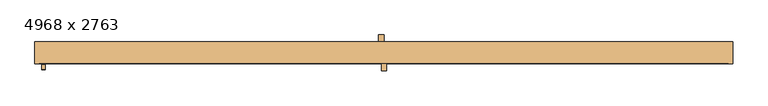
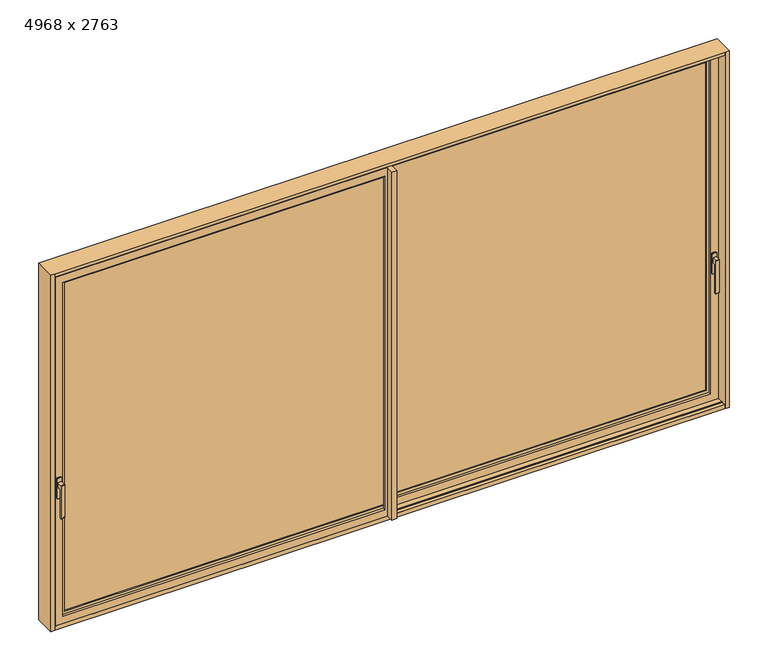
"""IFC4 building model written with IfcOpenShell, lengths in millimetres: door geometry, 4968 x 2763."""

from ifc_helpers import new_model, si_unit, point, frame, frame_2d, origin, place, context, project, spatial, polyline, circle_curve, trimmed, segment, composite_curve, outline, extrude, faceted_brep, source, transform, mapped, element, save
from ifc_brep_helpers import plane_surface, cylinder_surface, revolved_surface, advanced_brep


def door_4968_x_2763_f2bf357f(model_context):
    return source(origin(), model_context, "Body", "SolidModel", [
        advanced_brep(
        [(-2414.8849701, -59.25, 1100.7), (-2409.8849701, -59.25, 1105.7), (-2384.8849701, -59.25, 1105.7), (-2379.8849701, -59.25, 1100.7), (-2379.8849701, -59.25, 910.0621417), (-2384.8849701, -59.25, 905.0621417), (-2409.8849701, -59.25, 905.0621417), (-2414.8849701, -59.25, 910.0621417), (-2397.3849701, -59.25, 970.1681027), (-2384.2901925, -59.25, 983.2628803), (-2384.2901925, -59.25, 1079.3768243), (-2410.4797477, -59.25, 1079.3768243), (-2410.4797477, -59.25, 983.2628803), (-2414.8849701, -60.25, 1100.7), (-2414.8849701, -60.25, 910.0621417), (-2409.8849701, -60.25, 905.0621417), (-2384.8849701, -60.25, 905.0621417), (-2379.8849701, -60.25, 910.0621417), (-2379.8849701, -60.25, 1100.7), (-2384.8849701, -60.25, 1105.7), (-2409.8849701, -60.25, 1105.7), (-2411.4797477, -60.25, 1079.3768243), (-2383.2901925, -60.25, 1079.3768243), (-2383.2901925, -60.25, 983.2628803), (-2397.3849701, -60.25, 969.1681027), (-2411.4797477, -60.25, 983.2628803), (-2410.4797477, -69.25, 983.2628803), (-2410.4797477, -69.25, 1079.3768243), (-2384.2901925, -69.25, 1079.3768243), (-2384.2901925, -69.25, 983.2628803), (-2397.3849701, -69.25, 970.1681027), (-2411.4797477, -70.25, 1079.3768243), (-2411.4797477, -70.25, 983.2628803), (-2397.3849701, -70.25, 969.1681027), (-2383.2901925, -70.25, 983.2628803), (-2383.2901925, -70.25, 1079.3768243)],
        [
            (0, 1, circle_curve(frame((-2409.8849701, -59.25, 1100.7), z_axis=(0.0, 1.0, 0.0), x_axis=(1.0, 0.0, 0.0)), 5.0)),
            (1, 2),
            (2, 3, circle_curve(frame((-2384.8849701, -59.25, 1100.7), z_axis=(0.0, 1.0, 0.0), x_axis=(1.0, 0.0, 0.0)), 5.0)),
            (3, 4),
            (4, 5, circle_curve(frame((-2384.8849701, -59.25, 910.0621417), z_axis=(0.0, 1.0, 0.0), x_axis=(1.0, 0.0, 0.0)), 5.0)),
            (5, 6),
            (6, 7, circle_curve(frame((-2409.8849701, -59.25, 910.0621417), z_axis=(0.0, 1.0, 0.0), x_axis=(1.0, 0.0, 0.0)), 5.0)),
            (7, 0),
            (8, 9, circle_curve(frame((-2397.3849701, -59.25, 983.2628803), z_axis=(0.0, -1.0, 0.0), x_axis=(1.0, 0.0, 0.0)), 13.0947776)),
            (9, 10),
            (10, 11, circle_curve(frame((-2397.3849701, -59.25, 1079.3768243), z_axis=(0.0, -1.0, 0.0), x_axis=(1.0, 0.0, 0.0)), 13.0947776)),
            (11, 12),
            (12, 8, circle_curve(frame((-2397.3849701, -59.25, 983.2628803), z_axis=(0.0, -1.0, 0.0), x_axis=(1.0, 0.0, 0.0)), 13.0947776)),
            (13, 14),
            (14, 15, circle_curve(frame((-2409.8849701, -60.25, 910.0621417), z_axis=(0.0, -1.0, 0.0), x_axis=(1.0, 0.0, 0.0)), 5.0)),
            (15, 16),
            (16, 17, circle_curve(frame((-2384.8849701, -60.25, 910.0621417), z_axis=(0.0, -1.0, 0.0), x_axis=(1.0, 0.0, 0.0)), 5.0)),
            (17, 18),
            (18, 19, circle_curve(frame((-2384.8849701, -60.25, 1100.7), z_axis=(0.0, -1.0, 0.0), x_axis=(1.0, 0.0, 0.0)), 5.0)),
            (19, 20),
            (20, 13, circle_curve(frame((-2409.8849701, -60.25, 1100.7), z_axis=(0.0, -1.0, 0.0), x_axis=(1.0, 0.0, 0.0)), 5.0)),
            (21, 22, circle_curve(frame((-2397.3849701, -60.25, 1079.3768243), z_axis=(0.0, 1.0, 0.0), x_axis=(1.0, 0.0, 0.0)), 14.0947776)),
            (22, 23),
            (23, 24, circle_curve(frame((-2397.3849701, -60.25, 983.2628803), z_axis=(0.0, 1.0, 0.0), x_axis=(1.0, 0.0, 0.0)), 14.0947776)),
            (24, 25, circle_curve(frame((-2397.3849701, -60.25, 983.2628803), z_axis=(0.0, 1.0, 0.0), x_axis=(1.0, 0.0, 0.0)), 14.0947776)),
            (25, 21),
            (7, 14),
            (13, 0),
            (6, 15),
            (5, 16),
            (4, 17),
            (3, 18),
            (2, 19),
            (1, 20),
            (26, 27),
            (27, 28, circle_curve(frame((-2397.3849701, -69.25, 1079.3768243), z_axis=(0.0, 1.0, 0.0), x_axis=(1.0, 0.0, 0.0)), 13.0947776)),
            (28, 29),
            (29, 30, circle_curve(frame((-2397.3849701, -69.25, 983.2628803), z_axis=(0.0, 1.0, 0.0), x_axis=(1.0, 0.0, 0.0)), 13.0947776)),
            (30, 26, circle_curve(frame((-2397.3849701, -69.25, 983.2628803), z_axis=(0.0, 1.0, 0.0), x_axis=(1.0, 0.0, 0.0)), 13.0947776)),
            (30, 8),
            (12, 26),
            (29, 9),
            (28, 10),
            (27, 11),
            (31, 32),
            (32, 33, circle_curve(frame((-2397.3849701, -70.25, 983.2628803), z_axis=(0.0, -1.0, 0.0), x_axis=(1.0, 0.0, 0.0)), 14.0947776)),
            (33, 34, circle_curve(frame((-2397.3849701, -70.25, 983.2628803), z_axis=(0.0, -1.0, 0.0), x_axis=(1.0, 0.0, 0.0)), 14.0947776)),
            (34, 35),
            (35, 31, circle_curve(frame((-2397.3849701, -70.25, 1079.3768243), z_axis=(0.0, -1.0, 0.0), x_axis=(1.0, 0.0, 0.0)), 14.0947776)),
            (31, 21),
            (25, 32),
            (24, 33),
            (23, 34),
            (22, 35),
        ],
        [
            plane_surface(frame((-2414.8849701, -59.25, 1100.7), z_axis=(0.0, 1.0, 0.0), x_axis=(0.0, 0.0, -1.0))),
            plane_surface(frame((-2414.8849701, -60.25, 1100.7), z_axis=(0.0, -1.0, 0.0), x_axis=(0.0, 0.0, 1.0))),
            plane_surface(frame((-2414.8849701, -59.25, 1100.7), z_axis=(-1.0, 0.0, 0.0), x_axis=(0.0, -1.0, 0.0))),
            cylinder_surface(frame((-2409.8849701, -60.25, 910.0621417), z_axis=(0.0, 1.0, 0.0), x_axis=(1.0, 0.0, 0.0)), 5.0),
            plane_surface(frame((-2409.8849701, -59.25, 905.0621417), z_axis=(0.0, 0.0, -1.0), x_axis=(0.0, -1.0, 0.0))),
            cylinder_surface(frame((-2384.8849701, -60.25, 910.0621417), z_axis=(0.0, 1.0, 0.0), x_axis=(1.0, 0.0, 0.0)), 5.0),
            plane_surface(frame((-2379.8849701, -59.25, 910.0621417), z_axis=(1.0, 0.0, 0.0), x_axis=(0.0, -1.0, 0.0))),
            cylinder_surface(frame((-2384.8849701, -60.25, 1100.7), z_axis=(0.0, 1.0, 0.0), x_axis=(1.0, 0.0, 0.0)), 5.0),
            plane_surface(frame((-2384.8849701, -59.25, 1105.7), z_axis=(0.0, 0.0, 1.0), x_axis=(0.0, -1.0, 0.0))),
            cylinder_surface(frame((-2409.8849701, -60.25, 1100.7), z_axis=(0.0, 1.0, 0.0), x_axis=(1.0, 0.0, 0.0)), 5.0),
            plane_surface(frame((-2384.2901925, -69.25, 983.2628803), z_axis=(0.0, 1.0, 0.0), x_axis=(0.0, 0.0, -1.0))),
            revolved_surface(polyline([(-2384.2901925, -59.25, 983.2628803), (-2384.2901925, -69.25, 983.2628803)]), (-2397.3849701, -69.25, 983.2628803), (0.0, 1.0, 0.0)),
            plane_surface(frame((-2384.2901925, -55.2693201, 983.2628803), z_axis=(-1.0, 0.0, 0.0), x_axis=(0.0, -1.0, 0.0))),
            revolved_surface(polyline([(-2384.2901925, -59.25, 1079.3768243), (-2384.2901925, -69.25, 1079.3768243)]), (-2397.3849701, -69.25, 1079.3768243), (0.0, 1.0, 0.0)),
            plane_surface(frame((-2410.4797477, -55.2693201, 1079.3768243), z_axis=(1.0, 0.0, 0.0), x_axis=(0.0, -1.0, 0.0))),
            plane_surface(frame((-2411.4797477, -70.25, 1079.3768243), z_axis=(0.0, -1.0, 0.0), x_axis=(0.0, 0.0, 1.0))),
            plane_surface(frame((-2411.4797477, -59.25, 1079.3768243), z_axis=(-1.0, 0.0, 0.0), x_axis=(0.0, -1.0, 0.0))),
            cylinder_surface(frame((-2397.3849701, -70.25, 983.2628803), z_axis=(0.0, 1.0, 0.0), x_axis=(1.0, 0.0, 0.0)), 14.0947776),
            plane_surface(frame((-2383.2901925, -59.25, 983.2628803), z_axis=(1.0, 0.0, 0.0), x_axis=(0.0, -1.0, 0.0))),
            cylinder_surface(frame((-2397.3849701, -70.25, 1079.3768243), z_axis=(0.0, 1.0, 0.0), x_axis=(1.0, 0.0, 0.0)), 14.0947776),
        ],
        [
            (0, [[1, 2, 3, 4, 5, 6, 7, 8], [9, 10, 11, 12, 13]]),
            (1, [[14, 15, 16, 17, 18, 19, 20, 21], [22, 23, 24, 25, 26]]),
            (2, [[27, -14, 28, -8]]),
            (3, [[29, -15, -27, -7]]),
            (4, [[30, -16, -29, -6]]),
            (5, [[31, -17, -30, -5]]),
            (6, [[32, -18, -31, -4]]),
            (7, [[33, -19, -32, -3]]),
            (8, [[34, -20, -33, -2]]),
            (9, [[-28, -21, -34, -1]]),
            (10, [[35, 36, 37, 38, 39]]),
            (11, [[40, -13, 41, -39]]),
            (11, [[42, -9, -40, -38]]),
            (12, [[43, -10, -42, -37]]),
            (13, [[44, -11, -43, -36]]),
            (14, [[-41, -12, -44, -35]]),
            (15, [[45, 46, 47, 48, 49]]),
            (16, [[50, -26, 51, -45]]),
            (17, [[-51, -25, 52, -46]]),
            (17, [[-52, -24, 53, -47]]),
            (18, [[-53, -23, 54, -48]]),
            (19, [[-54, -22, -50, -49]]),
        ],
    ),
        advanced_brep(
        [(2428.0125, 19.25, 1100.7), (2433.0125, 19.25, 1105.7), (2458.0125, 19.25, 1105.7), (2463.0125, 19.25, 1100.7), (2463.0125, 19.25, 910.0621417), (2458.0125, 19.25, 905.0621417), (2433.0125, 19.25, 905.0621417), (2428.0125, 19.25, 910.0621417), (2445.5125, 19.25, 970.1681027), (2458.6072776, 19.25, 983.2628803), (2458.6072776, 19.25, 1079.3768243), (2432.4177224, 19.25, 1079.3768243), (2432.4177224, 19.25, 983.2628803), (2428.0125, 18.25, 1100.7), (2428.0125, 18.25, 910.0621417), (2433.0125, 18.25, 905.0621417), (2458.0125, 18.25, 905.0621417), (2463.0125, 18.25, 910.0621417), (2463.0125, 18.25, 1100.7), (2458.0125, 18.25, 1105.7), (2433.0125, 18.25, 1105.7), (2431.4177224, 18.25, 1079.3768243), (2459.6072776, 18.25, 1079.3768243), (2459.6072776, 18.25, 983.2628803), (2445.5125, 18.25, 969.1681027), (2431.4177224, 18.25, 983.2628803), (2432.4177224, 9.25, 983.2628803), (2432.4177224, 9.25, 1079.3768243), (2458.6072776, 9.25, 1079.3768243), (2458.6072776, 9.25, 983.2628803), (2445.5125, 9.25, 970.1681027), (2431.4177224, 8.25, 1079.3768243), (2431.4177224, 8.25, 983.2628803), (2445.5125, 8.25, 969.1681027), (2459.6072776, 8.25, 983.2628803), (2459.6072776, 8.25, 1079.3768243)],
        [
            (0, 1, circle_curve(frame((2433.0125, 19.25, 1100.7), z_axis=(0.0, 1.0, 0.0), x_axis=(1.0, 0.0, 0.0)), 5.0)),
            (1, 2),
            (2, 3, circle_curve(frame((2458.0125, 19.25, 1100.7), z_axis=(0.0, 1.0, 0.0), x_axis=(1.0, 0.0, 0.0)), 5.0)),
            (3, 4),
            (4, 5, circle_curve(frame((2458.0125, 19.25, 910.0621417), z_axis=(0.0, 1.0, 0.0), x_axis=(1.0, 0.0, 0.0)), 5.0)),
            (5, 6),
            (6, 7, circle_curve(frame((2433.0125, 19.25, 910.0621417), z_axis=(0.0, 1.0, 0.0), x_axis=(1.0, 0.0, 0.0)), 5.0)),
            (7, 0),
            (8, 9, circle_curve(frame((2445.5125, 19.25, 983.2628803), z_axis=(0.0, -1.0, 0.0), x_axis=(1.0, 0.0, 0.0)), 13.0947776)),
            (9, 10),
            (10, 11, circle_curve(frame((2445.5125, 19.25, 1079.3768243), z_axis=(0.0, -1.0, 0.0), x_axis=(1.0, 0.0, 0.0)), 13.0947776)),
            (11, 12),
            (12, 8, circle_curve(frame((2445.5125, 19.25, 983.2628803), z_axis=(0.0, -1.0, 0.0), x_axis=(1.0, 0.0, 0.0)), 13.0947776)),
            (13, 14),
            (14, 15, circle_curve(frame((2433.0125, 18.25, 910.0621417), z_axis=(0.0, -1.0, 0.0), x_axis=(1.0, 0.0, 0.0)), 5.0)),
            (15, 16),
            (16, 17, circle_curve(frame((2458.0125, 18.25, 910.0621417), z_axis=(0.0, -1.0, 0.0), x_axis=(1.0, 0.0, 0.0)), 5.0)),
            (17, 18),
            (18, 19, circle_curve(frame((2458.0125, 18.25, 1100.7), z_axis=(0.0, -1.0, 0.0), x_axis=(1.0, 0.0, 0.0)), 5.0)),
            (19, 20),
            (20, 13, circle_curve(frame((2433.0125, 18.25, 1100.7), z_axis=(0.0, -1.0, 0.0), x_axis=(1.0, 0.0, 0.0)), 5.0)),
            (21, 22, circle_curve(frame((2445.5125, 18.25, 1079.3768243), z_axis=(0.0, 1.0, 0.0), x_axis=(1.0, 0.0, 0.0)), 14.0947776)),
            (22, 23),
            (23, 24, circle_curve(frame((2445.5125, 18.25, 983.2628803), z_axis=(0.0, 1.0, 0.0), x_axis=(1.0, 0.0, 0.0)), 14.0947776)),
            (24, 25, circle_curve(frame((2445.5125, 18.25, 983.2628803), z_axis=(0.0, 1.0, 0.0), x_axis=(1.0, 0.0, 0.0)), 14.0947776)),
            (25, 21),
            (7, 14),
            (13, 0),
            (6, 15),
            (5, 16),
            (4, 17),
            (3, 18),
            (2, 19),
            (1, 20),
            (26, 27),
            (27, 28, circle_curve(frame((2445.5125, 9.25, 1079.3768243), z_axis=(0.0, 1.0, 0.0), x_axis=(1.0, 0.0, 0.0)), 13.0947776)),
            (28, 29),
            (29, 30, circle_curve(frame((2445.5125, 9.25, 983.2628803), z_axis=(0.0, 1.0, 0.0), x_axis=(1.0, 0.0, 0.0)), 13.0947776)),
            (30, 26, circle_curve(frame((2445.5125, 9.25, 983.2628803), z_axis=(0.0, 1.0, 0.0), x_axis=(1.0, 0.0, 0.0)), 13.0947776)),
            (30, 8),
            (12, 26),
            (29, 9),
            (28, 10),
            (27, 11),
            (31, 32),
            (32, 33, circle_curve(frame((2445.5125, 8.25, 983.2628803), z_axis=(0.0, -1.0, 0.0), x_axis=(1.0, 0.0, 0.0)), 14.0947776)),
            (33, 34, circle_curve(frame((2445.5125, 8.25, 983.2628803), z_axis=(0.0, -1.0, 0.0), x_axis=(1.0, 0.0, 0.0)), 14.0947776)),
            (34, 35),
            (35, 31, circle_curve(frame((2445.5125, 8.25, 1079.3768243), z_axis=(0.0, -1.0, 0.0), x_axis=(1.0, 0.0, 0.0)), 14.0947776)),
            (31, 21),
            (25, 32),
            (24, 33),
            (23, 34),
            (22, 35),
        ],
        [
            plane_surface(frame((2428.0125, 19.25, 1100.7), z_axis=(0.0, 1.0, 0.0), x_axis=(0.0, 0.0, -1.0))),
            plane_surface(frame((2428.0125, 18.25, 1100.7), z_axis=(0.0, -1.0, 0.0), x_axis=(0.0, 0.0, 1.0))),
            plane_surface(frame((2428.0125, 19.25, 1100.7), z_axis=(-1.0, 0.0, 0.0), x_axis=(0.0, -1.0, 0.0))),
            cylinder_surface(frame((2433.0125, 18.25, 910.0621417), z_axis=(0.0, 1.0, 0.0), x_axis=(1.0, 0.0, 0.0)), 5.0),
            plane_surface(frame((2433.0125, 19.25, 905.0621417), z_axis=(0.0, 0.0, -1.0), x_axis=(0.0, -1.0, 0.0))),
            cylinder_surface(frame((2458.0125, 18.25, 910.0621417), z_axis=(0.0, 1.0, 0.0), x_axis=(1.0, 0.0, 0.0)), 5.0),
            plane_surface(frame((2463.0125, 19.25, 910.0621417), z_axis=(1.0, 0.0, 0.0), x_axis=(0.0, -1.0, 0.0))),
            cylinder_surface(frame((2458.0125, 18.25, 1100.7), z_axis=(0.0, 1.0, 0.0), x_axis=(1.0, 0.0, 0.0)), 5.0),
            plane_surface(frame((2458.0125, 19.25, 1105.7), z_axis=(0.0, 0.0, 1.0), x_axis=(0.0, -1.0, 0.0))),
            cylinder_surface(frame((2433.0125, 18.25, 1100.7), z_axis=(0.0, 1.0, 0.0), x_axis=(1.0, 0.0, 0.0)), 5.0),
            plane_surface(frame((2458.6072776, 9.25, 983.2628803), z_axis=(0.0, 1.0, 0.0), x_axis=(0.0, 0.0, -1.0))),
            revolved_surface(polyline([(2458.6072775999996, 19.25, 983.2628803), (2458.6072775999996, 9.25, 983.2628803)]), (2445.5125, 9.25, 983.2628803), (0.0, 1.0, 0.0)),
            plane_surface(frame((2458.6072776, 23.2306799, 983.2628803), z_axis=(-1.0, 0.0, 0.0), x_axis=(0.0, -1.0, 0.0))),
            revolved_surface(polyline([(2458.6072775999996, 19.25, 1079.3768243), (2458.6072775999996, 9.25, 1079.3768243)]), (2445.5125, 9.25, 1079.3768243), (0.0, 1.0, 0.0)),
            plane_surface(frame((2432.4177224, 23.2306799, 1079.3768243), z_axis=(1.0, 0.0, 0.0), x_axis=(0.0, -1.0, 0.0))),
            plane_surface(frame((2431.4177224, 8.25, 1079.3768243), z_axis=(0.0, -1.0, 0.0), x_axis=(0.0, 0.0, 1.0))),
            plane_surface(frame((2431.4177224, 19.25, 1079.3768243), z_axis=(-1.0, 0.0, 0.0), x_axis=(0.0, -1.0, 0.0))),
            cylinder_surface(frame((2445.5125, 8.25, 983.2628803), z_axis=(0.0, 1.0, 0.0), x_axis=(1.0, 0.0, 0.0)), 14.0947776),
            plane_surface(frame((2459.6072776, 19.25, 983.2628803), z_axis=(1.0, 0.0, 0.0), x_axis=(0.0, -1.0, 0.0))),
            cylinder_surface(frame((2445.5125, 8.25, 1079.3768243), z_axis=(0.0, 1.0, 0.0), x_axis=(1.0, 0.0, 0.0)), 14.0947776),
        ],
        [
            (0, [[1, 2, 3, 4, 5, 6, 7, 8], [9, 10, 11, 12, 13]]),
            (1, [[14, 15, 16, 17, 18, 19, 20, 21], [22, 23, 24, 25, 26]]),
            (2, [[27, -14, 28, -8]]),
            (3, [[29, -15, -27, -7]]),
            (4, [[30, -16, -29, -6]]),
            (5, [[31, -17, -30, -5]]),
            (6, [[32, -18, -31, -4]]),
            (7, [[33, -19, -32, -3]]),
            (8, [[34, -20, -33, -2]]),
            (9, [[-28, -21, -34, -1]]),
            (10, [[35, 36, 37, 38, 39]]),
            (11, [[40, -13, 41, -39]]),
            (11, [[42, -9, -40, -38]]),
            (12, [[43, -10, -42, -37]]),
            (13, [[44, -11, -43, -36]]),
            (14, [[-41, -12, -44, -35]]),
            (15, [[45, 46, 47, 48, 49]]),
            (16, [[50, -26, 51, -45]]),
            (17, [[-51, -25, 52, -46]]),
            (17, [[-52, -24, 53, -47]]),
            (18, [[-53, -23, 54, -48]]),
            (19, [[-54, -22, -50, -49]]),
        ],
    ),
        extrude(outline(composite_curve([segment(polyline([(-58.55, 1111.2768015), (-58.55, 1074.762004), (-84.7564082, 1074.762004)]), True, "CONTINUOUS"), segment(trimmed(circle_curve(frame_2d((-84.7564082, 1073.762004)), 1.0), [point((-84.7564082, 1074.762004))], [point((-85.7564082, 1073.762004))], True, "CARTESIAN"), True, "CONTINUOUS"), segment(polyline([(-85.7564082, 1073.762004), (-85.7564082, 855.7988119)]), True, "CONTINUOUS"), segment(trimmed(circle_curve(frame_2d((-86.7932161, 855.7988119)), 1.0368079), [point((-85.7564082, 855.7988119))], [point((-86.7932161, 854.762004))], False, "CARTESIAN"), True, "CONTINUOUS"), segment(polyline([(-86.7932161, 854.762004), (-96.55, 854.762004)]), True, "CONTINUOUS"), segment(trimmed(circle_curve(frame_2d((-96.55, 855.762004)), 1.0), [point((-96.55, 854.762004))], [point((-97.55, 855.762004))], False, "CARTESIAN"), True, "CONTINUOUS"), segment(polyline([(-97.55, 855.762004), (-97.55, 1110.2768015)]), True, "CONTINUOUS"), segment(trimmed(circle_curve(frame_2d((-96.55, 1110.2768015)), 1.0), [point((-97.55, 1110.2768015))], [point((-96.55, 1111.2768015))], False, "CARTESIAN"), True, "CONTINUOUS"), segment(polyline([(-96.55, 1111.2768015), (-58.55, 1111.2768015)]), True, "CONTINUOUS")], self_intersect=False)), frame((2432.7072661, 0.0, 0.0), z_axis=(1.0, 0.0, 0.0), x_axis=(0.0, 1.0, 0.0)), (0.0, 0.0, 1.0), 25.6104678),
        extrude(outline(composite_curve([segment(polyline([(1139.6194028, 2429.2625), (987.4634302, 2429.2625)]), True, "CONTINUOUS"), segment(trimmed(circle_curve(frame_2d((987.4634302, 2432.7065275)), 3.4440275), [point((987.4634302, 2429.2625))], [point((984.0194028, 2432.7065275))], False, "CARTESIAN"), True, "CONTINUOUS"), segment(polyline([(984.0194028, 2432.7065275), (984.0194028, 2458.3625)]), True, "CONTINUOUS"), segment(trimmed(circle_curve(frame_2d((987.4194028, 2458.3625)), 3.4), [point((984.0194028, 2458.3625))], [point((987.4194028, 2461.7625))], False, "CARTESIAN"), True, "CONTINUOUS"), segment(polyline([(987.4194028, 2461.7625), (1139.6194028, 2461.7625)]), True, "CONTINUOUS"), segment(trimmed(circle_curve(frame_2d((1139.6194028, 2458.3625)), 3.4), [point((1139.6194028, 2461.7625))], [point((1143.0194028, 2458.3625))], False, "CARTESIAN"), True, "CONTINUOUS"), segment(polyline([(1143.0194028, 2458.3625), (1143.0194028, 2432.6625)]), True, "CONTINUOUS"), segment(trimmed(circle_curve(frame_2d((1139.6194028, 2432.6625)), 3.4), [point((1143.0194028, 2432.6625))], [point((1139.6194028, 2429.2625))], False, "CARTESIAN"), True, "CONTINUOUS")], self_intersect=False)), frame((0.0, -58.55, 0.0), z_axis=(0.0, 1.0, 0.0), x_axis=(0.0, 0.0, 1.0)), (0.0, 0.0, 1.0), 10.8),
        extrude(outline(composite_curve([segment(polyline([(-137.05, 1111.2768015), (-137.05, 1074.762004), (-163.2564082, 1074.762004)]), True, "CONTINUOUS"), segment(trimmed(circle_curve(frame_2d((-163.2564082, 1073.762004)), 1.0), [point((-163.2564082, 1074.762004))], [point((-164.2564082, 1073.762004))], True, "CARTESIAN"), True, "CONTINUOUS"), segment(polyline([(-164.2564082, 1073.762004), (-164.2564082, 855.7988119)]), True, "CONTINUOUS"), segment(trimmed(circle_curve(frame_2d((-165.2932161, 855.7988119)), 1.0368079), [point((-164.2564082, 855.7988119))], [point((-165.2932161, 854.762004))], False, "CARTESIAN"), True, "CONTINUOUS"), segment(polyline([(-165.2932161, 854.762004), (-175.05, 854.762004)]), True, "CONTINUOUS"), segment(trimmed(circle_curve(frame_2d((-175.05, 855.762004)), 1.0), [point((-175.05, 854.762004))], [point((-176.05, 855.762004))], False, "CARTESIAN"), True, "CONTINUOUS"), segment(polyline([(-176.05, 855.762004), (-176.05, 1110.2768015)]), True, "CONTINUOUS"), segment(trimmed(circle_curve(frame_2d((-175.05, 1110.2768015)), 1.0), [point((-176.05, 1110.2768015))], [point((-175.05, 1111.2768015))], False, "CARTESIAN"), True, "CONTINUOUS"), segment(polyline([(-175.05, 1111.2768015), (-137.05, 1111.2768015)]), True, "CONTINUOUS")], self_intersect=False)), frame((-2410.190204, 0.0, 0.0), z_axis=(1.0, 0.0, 0.0), x_axis=(0.0, 1.0, 0.0)), (0.0, 0.0, 1.0), 25.6104678),
        extrude(outline(composite_curve([segment(polyline([(1139.6194028, -2413.6349701), (987.4634302, -2413.6349701)]), True, "CONTINUOUS"), segment(trimmed(circle_curve(frame_2d((987.4634302, -2410.1909426)), 3.4440275), [point((987.4634302, -2413.6349701))], [point((984.0194028, -2410.1909426))], False, "CARTESIAN"), True, "CONTINUOUS"), segment(polyline([(984.0194028, -2410.1909426), (984.0194028, -2384.5349701)]), True, "CONTINUOUS"), segment(trimmed(circle_curve(frame_2d((987.4194028, -2384.5349701)), 3.4), [point((984.0194028, -2384.5349701))], [point((987.4194028, -2381.1349701))], False, "CARTESIAN"), True, "CONTINUOUS"), segment(polyline([(987.4194028, -2381.1349701), (1139.6194028, -2381.1349701)]), True, "CONTINUOUS"), segment(trimmed(circle_curve(frame_2d((1139.6194028, -2384.5349701)), 3.4), [point((1139.6194028, -2381.1349701))], [point((1143.0194028, -2384.5349701))], False, "CARTESIAN"), True, "CONTINUOUS"), segment(polyline([(1143.0194028, -2384.5349701), (1143.0194028, -2410.2349701)]), True, "CONTINUOUS"), segment(trimmed(circle_curve(frame_2d((1139.6194028, -2410.2349701)), 3.4), [point((1143.0194028, -2410.2349701))], [point((1139.6194028, -2413.6349701))], False, "CARTESIAN"), True, "CONTINUOUS")], self_intersect=False)), frame((0.0, -137.05, 0.0), z_axis=(0.0, 1.0, 0.0), x_axis=(0.0, 0.0, 1.0)), (0.0, 0.0, 1.0), 10.8),
        extrude(outline(polyline([(2415.1158982, 5.562125), (2415.1158982, -18.437875), (32.3366545, -18.437875), (32.3366545, 5.562125), (2415.1158982, 5.562125)])), frame((0.0, 0.0, 59.9841018), z_axis=(0.0, 0.0, 1.0), x_axis=(1.0, 0.0, 0.0)), (0.0, 0.0, 1.0), 2576.0317964),
        extrude(outline(polyline([(5.0366554, -72.937875), (5.0366554, -96.937875), (-2362.7158982, -96.937875), (-2362.7158982, -72.937875), (5.0366554, -72.937875)])), frame((0.0, 0.0, 59.9841018), z_axis=(0.0, 0.0, 1.0), x_axis=(1.0, 0.0, 0.0)), (0.0, 0.0, 1.0), 2576.0317964),
        faceted_brep([(13.2366545, -51.75, 0.0), (47.3366545, -51.75, 0.0), (47.3366545, -126.25, 0.0), (45.5366545, -126.25, 0.0), (45.5366545, -130.25, 0.0), (47.3366545, -130.25, 0.0), (47.3366545, -181.25, 0.0), (10.0366545, -181.25, 0.0), (10.0366545, -126.25, 0.0), (26.2, -126.25, 0.0), (26.2, -60.25, 0.0), (27.9866545, -60.25, 0.0), (27.9866545, -55.9489763, 0.0), (13.2366545, -52.813767, 0.0), (13.2366545, -52.813767, 2698.0159868), (13.2366545, -51.75, 2698.0159868), (27.9866545, -55.9489763, 2698.0159868), (27.9866545, -60.25, 2698.0159868), (47.3366545, -51.75, 2698.0159868), (47.3366545, -126.25, 2698.0159868), (-9.9633446, -72.937875, 74.9840136), (-9.9633446, -72.937875, 2621.0159864), (-9.9633446, -60.25, 2621.0159864), (-9.9633446, -60.25, 74.9840136), (26.2, -126.25, -2.0159868), (26.2, -60.25, -2.0159868), (-2424.7159868, -60.25, 2698.0159868), (-2424.7159868, -126.25, 2698.0159868), (10.0366545, -126.25, 2698.0159868), (10.0366545, -181.25, 2698.0159868), (47.3366545, -181.25, 2698.0159868), (47.3366545, -130.25, 2698.0159868), (45.5366545, -130.25, 2698.0159868), (45.5366545, -126.25, 2698.0159868), (-2424.7159868, -60.25, -2.0159868), (-2424.7159868, -126.25, -2.0159868), (-2347.7159864, -60.25, 2621.0159864), (-2347.7159864, -60.25, 74.9840136), (-2381.453202, -60.25, 1103.0759117), (-2413.3660596, -60.25, 1103.0759117), (-2413.3660596, -60.25, 962.4691817), (-2381.453202, -60.25, 962.4691817), (-2367.7, -126.25, 55.0), (-2367.7, -126.25, 2641.0), (-10.1252895, -126.25, 2641.0), (-10.1252895, -126.25, 55.0), (-2347.7159864, -72.937875, 74.9840136), (-2362.7158982, -72.937875, 2636.0158982), (-2362.7158982, -72.937875, 59.9841018), (5.0366554, -72.937875, 59.9841018), (5.0366554, -72.937875, 2636.0158982), (-2347.7159864, -72.937875, 2621.0159864), (-2362.7158982, -96.937875, 59.9841018), (5.0366554, -96.937875, 59.9841018), (-2347.7159864, -107.65, 74.9840136), (-2347.7159864, -107.65, 2621.0159864), (5.0366554, -107.65, 2621.0159864), (5.0366554, -107.65, 2641.0), (-2367.7, -107.65, 2641.0), (-2367.7, -107.65, 55.0), (5.0366554, -107.65, 55.0), (5.0366554, -107.65, 74.9840136), (-10.1252895, -113.9, 55.0), (5.0366554, -113.9, 55.0), (-2362.7158982, -96.937875, 2636.0158982), (5.0366554, -96.937875, 2636.0158982), (5.0366554, -113.9, 2641.0), (-10.1252895, -113.9, 2641.0), (5.0366554, -96.937875, 2621.0159864), (-2347.7159864, -96.937875, 2621.0159864), (-2347.7159864, -96.937875, 74.9840136), (5.0366554, -96.937875, 74.9840136), (-2381.453202, -71.7909181, 1103.0759117), (-2413.3660596, -71.7909181, 1103.0759117), (-2413.3660596, -71.7909181, 962.4691817), (-2381.453202, -71.7909181, 962.4691817)], [[[0, 1, 2, 3, 4, 5, 6, 7, 8, 9, 10, 11, 12, 13]], [[14, 15, 0, 13]], [[16, 14, 13, 12]], [[17, 16, 12, 11]], [[18, 19, 2, 1]], [[15, 18, 1, 0]], [[20, 21, 22, 23]], [[24, 25, 10, 9]], [[26, 27, 28, 29, 30, 31, 32, 33, 19, 18, 15, 14, 16, 17]], [[27, 26, 34, 35]], [[34, 26, 17, 11, 10, 25], [36, 37, 23, 22], [38, 39, 40, 41]], [[27, 35, 24, 9, 8, 28], [42, 43, 44, 45]], [[25, 24, 35, 34]], [[37, 46, 20, 23]], [[47, 48, 49, 50], [46, 51, 21, 20]], [[48, 52, 53, 49]], [[54, 55, 56, 57, 58, 59, 60, 61]], [[59, 42, 45, 62, 63, 60]], [[37, 36, 51, 46]], [[48, 47, 64, 52]], [[43, 42, 59, 58]], [[51, 36, 22, 21]], [[64, 47, 50, 65]], [[43, 58, 57, 66, 67, 44]], [[52, 64, 65, 68, 69, 70, 71, 53]], [[70, 54, 61, 71]], [[55, 54, 70, 69]], [[55, 69, 68, 56]], [[63, 66, 57, 56, 68, 65, 50, 49, 53, 71, 61, 60]], [[66, 63, 62, 67]], [[45, 44, 67, 62]], [[29, 28, 8, 7]], [[30, 29, 7, 6]], [[31, 30, 6, 5]], [[32, 31, 5, 4]], [[33, 32, 4, 3]], [[19, 33, 3, 2]], [[38, 72, 73, 39]], [[40, 74, 75, 41]], [[39, 73, 74, 40]], [[73, 72, 75, 74]], [[72, 38, 41, 75]]]),
        faceted_brep([(26.2, -47.75, 2698.0159868), (26.2, 18.25, 2698.0159868), (26.2, 18.25, 2693.0159868), (26.2, -47.75, 2693.0159868), (2400.1159864, 18.25, 2621.0159864), (2400.1159864, 5.562125, 2621.0159864), (47.3366545, 5.562125, 2621.0159864), (47.3366545, 18.25, 2621.0159864), (2415.1158982, 5.562125, 2636.0158982), (2415.1158982, -18.437875, 2636.0158982), (32.3366545, -18.437875, 2636.0158982), (32.3366545, 5.562125, 2636.0158982), (2477.1159868, -47.75, 2698.0159868), (2477.1159868, 18.25, 2698.0159868), (2400.1159864, 18.25, 74.9840136), (2400.1159864, 5.562125, 74.9840136), (2415.1158982, 5.562125, 59.9841018), (2415.1158982, -18.437875, 59.9841018), (2477.1159868, -47.75, -2.0159868), (2477.1159868, 18.25, -2.0159868), (27.3366554, 18.25, -2.0159868), (27.3366554, 18.25, 2693.0159868), (47.3366545, 18.25, 74.9840136), (2431.129085, 18.25, 964.6490221), (2461.129085, 18.25, 964.6490221), (2461.129085, 18.25, 1099.4796979), (2431.129085, 18.25, 1099.4796979), (47.3366545, 5.562125, 74.9840136), (32.3366545, 5.562125, 59.9841018), (32.3366545, -18.437875, 59.9841018), (9.3866554, -47.75, 2693.0159868), (9.3866554, -47.75, -2.0159868), (2420.1, -47.75, 2641.0), (2420.1, -47.75, 55.0), (47.4985994, -47.75, 55.0), (47.4985994, -47.75, 2641.0), (9.3866554, -52.5510237, -2.0159868), (24.0406112, -55.6658182, -2.0159868), (24.0406112, -56.75, -2.0159868), (-9.9633446, -56.75, -2.0159868), (-9.9633446, 17.75, -2.0159868), (-8.1633446, 17.75, -2.0159868), (-8.1633446, 21.75, -2.0159868), (-9.9633446, 21.75, -2.0159868), (-9.9633446, 72.75, -2.0159868), (27.3366554, 72.75, -2.0159868), (27.3366554, 72.75, 2693.0159868), (-9.9633446, 72.75, 2693.0159868), (-9.9633446, 21.75, 2693.0159868), (-8.1633446, 21.75, 2693.0159868), (-8.1633446, 17.75, 2693.0159868), (-9.9633446, 17.75, 2693.0159868), (-9.9633446, -56.75, 2693.0159868), (24.0406112, -56.75, 2693.0159868), (24.0406112, -55.6658182, 2693.0159868), (9.3866554, -52.5510237, 2693.0159868), (2420.1, -29.15, 55.0), (32.3366545, -29.15, 55.0), (32.3366545, -35.437875, 55.0), (47.4985994, -35.437875, 55.0), (2420.1, -29.15, 2641.0), (32.3366545, -29.15, 2641.0), (32.3366545, -29.15, 2621.0159864), (2400.1159864, -29.15, 2621.0159864), (2400.1159864, -29.15, 74.9840136), (32.3366545, -29.15, 74.9840136), (47.4985994, -35.437875, 2641.0), (32.3366545, -35.437875, 2641.0), (2400.1159864, -18.437875, 74.9840136), (32.3366545, -18.437875, 74.9840136), (2400.1159864, -18.437875, 2621.0159864), (32.3366545, -18.437875, 2621.0159864), (2461.129085, 3.25, 964.6490221), (2431.129085, 3.25, 964.6490221), (2461.129085, 3.25, 1099.4796979), (2431.129085, 3.25, 1099.4796979)], [[[0, 1, 2, 3]], [[4, 5, 6, 7]], [[8, 9, 10, 11]], [[1, 0, 12, 13]], [[5, 4, 14, 15]], [[9, 8, 16, 17]], [[13, 12, 18, 19]], [[1, 13, 19, 20, 21, 2], [14, 4, 7, 22], [23, 24, 25, 26]], [[15, 14, 22, 27]], [[16, 8, 11, 28], [5, 15, 27, 6]], [[17, 16, 28, 29]], [[12, 0, 3, 30, 31, 18], [32, 33, 34, 35]], [[19, 18, 31, 36, 37, 38, 39, 40, 41, 42, 43, 44, 45, 20]], [[46, 47, 48, 49, 50, 51, 52, 53, 54, 55, 30, 3, 2, 21]], [[33, 56, 57, 58, 59, 34]], [[56, 60, 61, 62, 63, 64, 65, 57]], [[33, 32, 60, 56]], [[60, 32, 35, 66, 67, 61]], [[64, 68, 69, 65]], [[9, 17, 29, 69, 68, 70, 71, 10]], [[64, 63, 70, 68]], [[70, 63, 62, 71]], [[47, 46, 45, 44]], [[48, 47, 44, 43]], [[49, 48, 43, 42]], [[50, 49, 42, 41]], [[51, 50, 41, 40]], [[52, 51, 40, 39]], [[53, 52, 39, 38]], [[54, 53, 38, 37]], [[55, 54, 37, 36]], [[30, 55, 36, 31]], [[35, 34, 59, 66]], [[66, 59, 58, 67]], [[67, 58, 57, 65, 69, 29, 28, 11, 10, 71, 62, 61]], [[22, 7, 6, 27]], [[46, 21, 20, 45]], [[72, 24, 23, 73]], [[74, 75, 26, 25]], [[24, 72, 74, 25]], [[73, 23, 26, 75]], [[72, 73, 75, 74]]]),
        extrude(outline(polyline([(-2429.2, -67.3486495), (-2424.7159868, -67.3486495), (-2424.7159868, -73.45), (-2411.8, -73.45), (-2411.8, -77.75), (-2429.2, -77.75), (-2429.2, -67.3486495)])), frame((0.0, 0.0, -2.0159868), z_axis=(0.0, 0.0, 1.0), x_axis=(1.0, 0.0, 0.0)), (0.0, 0.0, 1.0), 2700.0319737),
        extrude(outline(polyline([(-2429.2, -119.1486495), (-2429.2, -108.7472991), (-2411.8, -108.7472991), (-2411.8, -113.047299), (-2424.7159868, -113.047299), (-2424.7159868, -119.1486495), (-2429.2, -119.1486495)])), frame((0.0, 0.0, -2.0159868), z_axis=(0.0, 0.0, 1.0), x_axis=(1.0, 0.0, 0.0)), (0.0, 0.0, 1.0), 2700.0319737),
        extrude(outline(polyline([(2481.6, 10.6513505), (2481.6, 0.25), (2464.2, 0.25), (2464.2, 4.55), (2477.1159868, 4.55), (2477.1159868, 10.6513505), (2481.6, 10.6513505)])), frame((0.0, 0.0, -2.0159868), z_axis=(0.0, 0.0, 1.0), x_axis=(1.0, 0.0, 0.0)), (0.0, 0.0, 1.0), 2700.0319737),
        extrude(outline(polyline([(2481.6, -41.1908107), (2477.1159868, -41.1908107), (2477.1159868, -35.0894602), (2464.2, -35.0894602), (2464.2, -30.7894602), (2481.6, -30.7894602), (2481.6, -41.1908107)])), frame((0.0, 0.0, -2.0159868), z_axis=(0.0, 0.0, 1.0), x_axis=(1.0, 0.0, 0.0)), (0.0, 0.0, 1.0), 2700.0319737),
        advanced_brep(
        [(-2457.8, -131.25, 2732.0), (-2429.2, -131.25, 2732.0), (-2429.2, -130.25, 2732.0), (2481.6, -130.25, 2732.0), (2481.6, -131.25, 2732.0), (2510.2, -131.25, 2732.0), (2510.2, 22.75, 2732.0), (-2457.8, 22.75, 2732.0), (-2429.2, -131.25, -31.0), (-2457.8, -131.25, -31.0), (-2457.8, 22.75, -31.0), (2510.2, 22.75, -31.0), (2510.2, -131.25, -31.0), (2481.6, -131.25, -31.0), (2481.6, -130.25, -31.0), (-2429.2, -130.25, -31.0), (-2429.2, 22.75, 2693.0159868), (-2429.2, 22.75, -7.0148685), (2481.6, 22.75, -7.0148685), (2481.6, 22.75, 2693.0159868), (-2429.2, -130.25, 0.0), (-2429.2, -128.45, 0.0), (-2429.2, -128.45, -6.0), (-2429.2, -95.2734213, -6.0), (-2429.2, -95.2734213, -2.4767803), (-2429.2, -90.2734213, -2.4767803), (-2429.2, -90.2734213, -6.0), (-2429.2, -17.2265787, -6.0), (-2429.2, -17.2265787, -2.4767803), (-2429.2, -12.2265787, -2.4767803), (-2429.2, -12.2265787, -6.0), (-2429.2, 11.15, -6.0), (-2429.2, 20.75, 2693.0159868), (-2429.2, 20.75, 2712.0159868), (-2429.2, 0.25, 2712.0159868), (-2429.2, 0.25, 2694.524631), (-2429.2, -3.85, 2688.0159868), (-2429.2, -5.75, 2688.0159868), (-2429.2, -5.75, 2704.2159868), (-2429.2, -23.75, 2704.2159868), (-2429.2, -23.75, 2688.0159868), (-2429.2, -25.95, 2688.0159868), (-2429.2, -25.95, 2689.0890244), (-2429.2, -29.75, 2694.5159868), (-2429.2, -29.75, 2698.0187566), (-2429.2, -59.55, 2698.0187566), (-2429.2, -59.55, 2704.2159868), (-2429.2, -77.75, 2704.2159868), (-2429.2, -77.75, 2694.524631), (-2429.2, -81.85, 2688.0159868), (-2429.2, -83.75, 2688.0159868), (-2429.2, -83.75, 2704.2159868), (-2429.2, -101.75, 2704.2159868), (-2429.2, -101.75, 2688.0159868), (-2429.2, -103.65, 2688.0159868), (-2429.2, -107.75, 2694.524631), (-2429.2, -107.75, 2697.2655613), (-2429.2, -103.95, 2700.1290667), (-2429.2, -103.95, 2712.0159868), (-2429.2, -128.25, 2712.0159868), (-2429.2, -128.25, 2706.0159868), (-2429.2, -130.25, 2706.0159868), (2481.6, -130.25, 2706.0159868), (2481.6, -128.25, 2706.0159868), (2481.6, -128.25, 2712.0159868), (2481.6, -103.95, 2712.0159868), (2481.6, -103.95, 2700.1290667), (2481.6, -107.75, 2697.2655613), (2481.6, -107.75, 2694.524631), (2481.6, -103.65, 2688.0159868), (2481.6, -101.75, 2688.0159868), (2481.6, -101.75, 2704.2159868), (2481.6, -83.75, 2704.2159868), (2481.6, -83.75, 2688.0159868), (2481.6, -81.85, 2688.0159868), (2481.6, -77.75, 2694.524631), (2481.6, -77.75, 2704.2159868), (2481.6, -59.55, 2704.2159868), (2481.6, -59.55, 2698.0187566), (2481.6, -29.75, 2698.0187566), (2481.6, -29.75, 2694.5159868), (2481.6, -25.95, 2689.0890244), (2481.6, -25.95, 2688.0159868), (2481.6, -23.75, 2688.0159868), (2481.6, -23.75, 2704.2159868), (2481.6, -5.75, 2704.2159868), (2481.6, -5.75, 2688.0159868), (2481.6, -3.85, 2688.0159868), (2481.6, 0.25, 2694.524631), (2481.6, 0.25, 2712.0159868), (2481.6, 20.75, 2712.0159868), (2481.6, 20.75, 2693.0159868), (2481.6, 11.15, -6.0), (2481.6, -12.2265787, -6.0), (2481.6, -12.2265787, -2.4767803), (2481.6, -17.2265787, -2.4767803), (2481.6, -17.2265787, -6.0), (2481.6, -90.2734213, -6.0), (2481.6, -90.2734213, -2.4767803), (2481.6, -95.2734213, -2.4767803), (2481.6, -95.2734213, -6.0), (2481.6, -128.45, -6.0), (2481.6, -128.45, 0.0), (2481.6, -130.25, 0.0)],
        [
            (0, 1),
            (1, 2),
            (2, 3),
            (3, 4),
            (4, 5),
            (5, 6),
            (6, 7),
            (7, 0),
            (8, 9),
            (9, 10),
            (10, 11),
            (11, 12),
            (12, 13),
            (13, 14),
            (14, 15),
            (15, 8),
            (6, 11),
            (10, 7),
            (16, 17),
            (17, 18),
            (18, 19),
            (19, 16),
            (9, 0),
            (8, 1),
            (15, 20),
            (20, 21),
            (21, 22),
            (22, 23),
            (23, 24),
            (24, 25, circle_curve(frame((-2429.2, -92.7734213, -2.4767803), z_axis=(-1.0, 0.0, 0.0), x_axis=(0.0, 1.0, 0.0)), 2.5)),
            (25, 26),
            (26, 27),
            (27, 28),
            (28, 29, circle_curve(frame((-2429.2, -14.7265787, -2.4767803), z_axis=(-1.0, 0.0, 0.0), x_axis=(0.0, 1.0, 0.0)), 2.5)),
            (29, 30),
            (30, 31),
            (31, 17),
            (16, 32),
            (32, 33),
            (33, 34),
            (34, 35),
            (35, 36),
            (36, 37),
            (37, 38),
            (38, 39),
            (39, 40),
            (40, 41),
            (41, 42),
            (42, 43),
            (43, 44),
            (44, 45),
            (45, 46),
            (46, 47),
            (47, 48),
            (48, 49),
            (49, 50),
            (50, 51),
            (51, 52),
            (52, 53),
            (53, 54),
            (54, 55),
            (55, 56),
            (56, 57),
            (57, 58),
            (58, 59),
            (59, 60),
            (60, 61),
            (61, 2),
            (13, 4),
            (3, 62),
            (62, 63),
            (63, 64),
            (64, 65),
            (65, 66),
            (66, 67),
            (67, 68),
            (68, 69),
            (69, 70),
            (70, 71),
            (71, 72),
            (72, 73),
            (73, 74),
            (74, 75),
            (75, 76),
            (76, 77),
            (77, 78),
            (78, 79),
            (79, 80),
            (80, 81),
            (81, 82),
            (82, 83),
            (83, 84),
            (84, 85),
            (85, 86),
            (86, 87),
            (87, 88),
            (88, 89),
            (89, 90),
            (90, 91),
            (91, 19),
            (18, 92),
            (92, 93),
            (93, 94),
            (94, 95, circle_curve(frame((2481.6, -14.7265787, -2.4767803), z_axis=(1.0, 0.0, 0.0), x_axis=(0.0, 1.0, 0.0)), 2.5)),
            (95, 96),
            (96, 97),
            (97, 98),
            (98, 99, circle_curve(frame((2481.6, -92.7734213, -2.4767803), z_axis=(1.0, 0.0, 0.0), x_axis=(0.0, 1.0, 0.0)), 2.5)),
            (99, 100),
            (100, 101),
            (101, 102),
            (102, 103),
            (103, 14),
            (12, 5),
            (61, 62),
            (60, 63),
            (59, 64),
            (58, 65),
            (57, 66),
            (56, 67),
            (55, 68),
            (54, 69),
            (53, 70),
            (52, 71),
            (51, 72),
            (50, 73),
            (49, 74),
            (48, 75),
            (47, 76),
            (46, 77),
            (45, 78),
            (44, 79),
            (43, 80),
            (42, 81),
            (41, 82),
            (40, 83),
            (39, 84),
            (38, 85),
            (37, 86),
            (36, 87),
            (35, 88),
            (34, 89),
            (33, 90),
            (32, 91),
            (31, 92),
            (30, 93),
            (29, 94),
            (28, 95),
            (27, 96),
            (26, 97),
            (25, 98),
            (24, 99),
            (23, 100),
            (22, 101),
            (21, 102),
            (20, 103),
        ],
        [
            plane_surface(frame((-2457.8, 22.75, 2732.0), z_axis=(0.0, 0.0, 1.0), x_axis=(-1.0, 0.0, 0.0))),
            plane_surface(frame((-2457.8, 22.75, -31.0), z_axis=(0.0, 0.0, -1.0), x_axis=(1.0, 0.0, 0.0))),
            plane_surface(frame((-2429.2, 22.75, 2732.0), z_axis=(0.0, 1.0, 0.0), x_axis=(0.0, 0.0, -1.0))),
            plane_surface(frame((-2457.8, 22.75, 2732.0), z_axis=(-1.0, 0.0, 0.0), x_axis=(0.0, 0.0, -1.0))),
            plane_surface(frame((-2457.8, -131.25, 2732.0), z_axis=(0.0, -1.0, 0.0), x_axis=(0.0, 0.0, -1.0))),
            plane_surface(frame((-2429.2, -131.25, 2732.0), z_axis=(1.0, 0.0, 0.0), x_axis=(0.0, 0.0, -1.0))),
            plane_surface(frame((2481.6, 22.75, 2732.0), z_axis=(-1.0, 0.0, 0.0), x_axis=(0.0, 0.0, -1.0))),
            plane_surface(frame((2481.6, -131.25, 2732.0), z_axis=(0.0, -1.0, 0.0), x_axis=(0.0, 0.0, -1.0))),
            plane_surface(frame((2510.2, -131.25, 2732.0), z_axis=(1.0, 0.0, 0.0), x_axis=(0.0, 0.0, -1.0))),
            plane_surface(frame((2510.2, -130.25, 2732.0), z_axis=(0.0, -1.0, 0.0), x_axis=(-1.0, 0.0, 0.0))),
            plane_surface(frame((2510.2, -130.25, 2706.0159868), z_axis=(0.0, 0.0, -1.0), x_axis=(-1.0, 0.0, 0.0))),
            plane_surface(frame((2510.2, -128.25, 2706.0159868), z_axis=(0.0, 1.0, 0.0), x_axis=(-1.0, 0.0, 0.0))),
            plane_surface(frame((2510.2, -128.25, 2712.0159868), z_axis=(0.0, 0.0, -1.0), x_axis=(-1.0, 0.0, 0.0))),
            plane_surface(frame((2510.2, -103.95, 2712.0159868), z_axis=(0.0, -1.0, 0.0), x_axis=(-1.0, 0.0, 0.0))),
            plane_surface(frame((2510.2, -103.95, 2700.1290667), z_axis=(0.0, -0.6018150231514546, 0.7986355100477402), x_axis=(-1.0, 0.0, 0.0))),
            plane_surface(frame((2510.2, -107.75, 2697.2655613), z_axis=(0.0, -1.0, 0.0), x_axis=(-1.0, 0.0, 0.0))),
            plane_surface(frame((2510.2, -107.75, 2694.524631), z_axis=(0.0, -0.8461176546357573, -0.5329961674474644), x_axis=(-1.0, 0.0, 0.0))),
            plane_surface(frame((2510.2, -103.65, 2688.0159868), z_axis=(0.0, 0.0, -1.0), x_axis=(-1.0, 0.0, 0.0))),
            plane_surface(frame((2510.2, -101.75, 2688.0159868), z_axis=(0.0, 1.0, 0.0), x_axis=(-1.0, 0.0, 0.0))),
            plane_surface(frame((2510.2, -101.75, 2704.2159868), z_axis=(0.0, 0.0, -1.0), x_axis=(-1.0, 0.0, 0.0))),
            plane_surface(frame((2510.2, -83.75, 2704.2159868), z_axis=(0.0, -1.0, 0.0), x_axis=(-1.0, 0.0, 0.0))),
            plane_surface(frame((2510.2, -83.75, 2688.0159868), z_axis=(0.0, 0.0, -1.0), x_axis=(-1.0, 0.0, 0.0))),
            plane_surface(frame((2510.2, -81.85, 2688.0159868), z_axis=(0.0, 0.846117654640233, -0.5329961674403593), x_axis=(-1.0, 0.0, 0.0))),
            plane_surface(frame((2510.2, -77.75, 2694.524631), z_axis=(0.0, 1.0, 0.0), x_axis=(-1.0, 0.0, 0.0))),
            plane_surface(frame((2510.2, -77.75, 2704.2159868), z_axis=(0.0, 0.0, -1.0), x_axis=(-1.0, 0.0, 0.0))),
            plane_surface(frame((2510.2, -59.55, 2704.2159868), z_axis=(0.0, -1.0, 0.0), x_axis=(-1.0, 0.0, 0.0))),
            plane_surface(frame((2510.2, -59.55, 2698.0187566), z_axis=(0.0, 0.0, -1.0), x_axis=(-1.0, 0.0, 0.0))),
            plane_surface(frame((2510.2, -29.75, 2698.0187566), z_axis=(0.0, -1.0, 0.0), x_axis=(-1.0, 0.0, 0.0))),
            plane_surface(frame((2510.2, -29.75, 2694.5159868), z_axis=(0.0, -0.8191520442892566, -0.5735764363506679), x_axis=(-1.0, 0.0, 0.0))),
            plane_surface(frame((2510.2, -25.95, 2689.0890244), z_axis=(0.0, -1.0, 0.0), x_axis=(-1.0, 0.0, 0.0))),
            plane_surface(frame((2510.2, -25.95, 2688.0159868), z_axis=(0.0, 0.0, -1.0), x_axis=(-1.0, 0.0, 0.0))),
            plane_surface(frame((2510.2, -23.75, 2688.0159868), z_axis=(0.0, 1.0, 0.0), x_axis=(-1.0, 0.0, 0.0))),
            plane_surface(frame((2510.2, -23.75, 2704.2159868), z_axis=(0.0, 0.0, -1.0), x_axis=(-1.0, 0.0, 0.0))),
            plane_surface(frame((2510.2, -5.75, 2704.2159868), z_axis=(0.0, -1.0, 0.0), x_axis=(-1.0, 0.0, 0.0))),
            plane_surface(frame((2510.2, -5.75, 2688.0159868), z_axis=(0.0, 0.0, -1.0), x_axis=(-1.0, 0.0, 0.0))),
            plane_surface(frame((2510.2, -3.85, 2688.0159868), z_axis=(0.0, 0.8461176546360692, -0.532996167446969), x_axis=(-1.0, 0.0, 0.0))),
            plane_surface(frame((2510.2, 0.25, 2694.524631), z_axis=(0.0, 1.0, 0.0), x_axis=(-1.0, 0.0, 0.0))),
            plane_surface(frame((2510.2, 0.25, 2712.0159868), z_axis=(0.0, 0.0, -1.0), x_axis=(-1.0, 0.0, 0.0))),
            plane_surface(frame((2510.2, 20.75, 2712.0159868), z_axis=(0.0, -1.0, 0.0), x_axis=(-1.0, 0.0, 0.0))),
            plane_surface(frame((2510.2, 20.75, 2693.0159868), z_axis=(0.0, 0.0, -1.0), x_axis=(-1.0, 0.0, 0.0))),
            plane_surface(frame((2510.2, 22.75, -7.0148685), z_axis=(0.0, 0.08715574274818028, 0.9961946980916999), x_axis=(-1.0, 0.0, 0.0))),
            plane_surface(frame((2510.2, 11.15, -6.0), z_axis=(0.0, 0.0, 1.0), x_axis=(-1.0, 0.0, 0.0))),
            plane_surface(frame((2510.2, -12.2265787, -6.0), z_axis=(0.0, 1.0, 0.0), x_axis=(-1.0, 0.0, 0.0))),
            cylinder_surface(frame((26.2, -14.7265787, -2.4767803), z_axis=(1.0, 0.0, 0.0), x_axis=(0.0, 1.0, 0.0)), 2.5),
            plane_surface(frame((2510.2, -17.2265787, -2.4767803), z_axis=(0.0, -1.0, 0.0), x_axis=(-1.0, 0.0, 0.0))),
            plane_surface(frame((2510.2, -17.2265787, -6.0), z_axis=(0.0, 0.0, 1.0), x_axis=(-1.0, 0.0, 0.0))),
            plane_surface(frame((2510.2, -90.2734213, -6.0), z_axis=(0.0, 1.0, 0.0), x_axis=(-1.0, 0.0, 0.0))),
            cylinder_surface(frame((26.2, -92.7734213, -2.4767803), z_axis=(1.0, 0.0, 0.0), x_axis=(0.0, 1.0, 0.0)), 2.5),
            plane_surface(frame((2510.2, -95.2734213, -2.4767803), z_axis=(0.0, -1.0, 0.0), x_axis=(-1.0, 0.0, 0.0))),
            plane_surface(frame((2510.2, -95.2734213, -6.0), z_axis=(0.0, 0.0, 1.0), x_axis=(-1.0, 0.0, 0.0))),
            plane_surface(frame((2510.2, -128.45, -6.0), z_axis=(0.0, 1.0, 0.0), x_axis=(-1.0, 0.0, 0.0))),
            plane_surface(frame((2510.2, -128.45, 0.0), z_axis=(0.0, 0.0, 1.0), x_axis=(-1.0, 0.0, 0.0))),
            plane_surface(frame((2510.2, -130.25, 0.0), z_axis=(0.0, -1.0, 0.0), x_axis=(-1.0, 0.0, 0.0))),
        ],
        [
            (0, [[1, 2, 3, 4, 5, 6, 7, 8]]),
            (1, [[9, 10, 11, 12, 13, 14, 15, 16]]),
            (2, [[-7, 17, -11, 18], [19, 20, 21, 22]]),
            (3, [[23, -8, -18, -10]]),
            (4, [[-1, -23, -9, 24]]),
            (5, [[-24, -16, 25, 26, 27, 28, 29, 30, 31, 32, 33, 34, 35, 36, 37, -19, 38, 39, 40, 41, 42, 43, 44, 45, 46, 47, 48, 49, 50, 51, 52, 53, 54, 55, 56, 57, 58, 59, 60, 61, 62, 63, 64, 65, 66, 67, 68, -2]]),
            (6, [[69, -4, 70, 71, 72, 73, 74, 75, 76, 77, 78, 79, 80, 81, 82, 83, 84, 85, 86, 87, 88, 89, 90, 91, 92, 93, 94, 95, 96, 97, 98, 99, 100, -21, 101, 102, 103, 104, 105, 106, 107, 108, 109, 110, 111, 112, 113, -14]]),
            (7, [[-5, -69, -13, 114]]),
            (8, [[-114, -12, -17, -6]]),
            (9, [[-3, -68, 115, -70]]),
            (10, [[-115, -67, 116, -71]]),
            (11, [[-116, -66, 117, -72]]),
            (12, [[-117, -65, 118, -73]]),
            (13, [[-118, -64, 119, -74]]),
            (14, [[-119, -63, 120, -75]]),
            (15, [[-120, -62, 121, -76]]),
            (16, [[-121, -61, 122, -77]]),
            (17, [[-122, -60, 123, -78]]),
            (18, [[-123, -59, 124, -79]]),
            (19, [[-124, -58, 125, -80]]),
            (20, [[-125, -57, 126, -81]]),
            (21, [[-126, -56, 127, -82]]),
            (22, [[-127, -55, 128, -83]]),
            (23, [[-128, -54, 129, -84]]),
            (24, [[-129, -53, 130, -85]]),
            (25, [[-130, -52, 131, -86]]),
            (26, [[-131, -51, 132, -87]]),
            (27, [[-132, -50, 133, -88]]),
            (28, [[-133, -49, 134, -89]]),
            (29, [[-134, -48, 135, -90]]),
            (30, [[-135, -47, 136, -91]]),
            (31, [[-136, -46, 137, -92]]),
            (32, [[-137, -45, 138, -93]]),
            (33, [[-138, -44, 139, -94]]),
            (34, [[-139, -43, 140, -95]]),
            (35, [[-140, -42, 141, -96]]),
            (36, [[-141, -41, 142, -97]]),
            (37, [[-142, -40, 143, -98]]),
            (38, [[-143, -39, 144, -99]]),
            (39, [[-22, -100, -144, -38]]),
            (40, [[-20, -37, 145, -101]]),
            (41, [[-145, -36, 146, -102]]),
            (42, [[-146, -35, 147, -103]]),
            (43, [[-147, -34, 148, -104]]),
            (44, [[-148, -33, 149, -105]]),
            (45, [[-149, -32, 150, -106]]),
            (46, [[-150, -31, 151, -107]]),
            (47, [[-151, -30, 152, -108]]),
            (48, [[-152, -29, 153, -109]]),
            (49, [[-153, -28, 154, -110]]),
            (50, [[-154, -27, 155, -111]]),
            (51, [[-155, -26, 156, -112]]),
            (52, [[-15, -113, -156, -25]]),
        ],
    ),
    ])


if __name__ == "__main__":
    model = new_model("IFC4")
    model_context = context("Model", 3, world=origin())
    ifc_project = project(units=[si_unit("LENGTHUNIT", "METRE", prefix="MILLI")], contexts=[model_context])
    site = spatial("IfcSite", under=ifc_project)
    building = spatial("IfcBuilding", under=site)
    placement = place(None, origin())
    door_4968_x_2763_shape = door_4968_x_2763_f2bf357f(model_context)
    element("IfcDoor", 1, ObjectType="4968 x 2763", at=placement, inside=building, context=model_context, shape_type="MappedRepresentation", body=[
        mapped(door_4968_x_2763_shape, transform((0.0, 0.0, 0.0), x_axis=(1.0, 0.0, 0.0), y_axis=(0.0, 1.0, 0.0), z_axis=(0.0, 0.0, 1.0))),
    ])
    save(model, "model.ifc")
